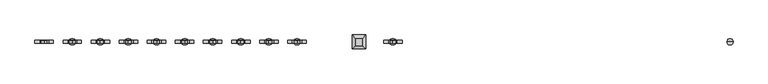
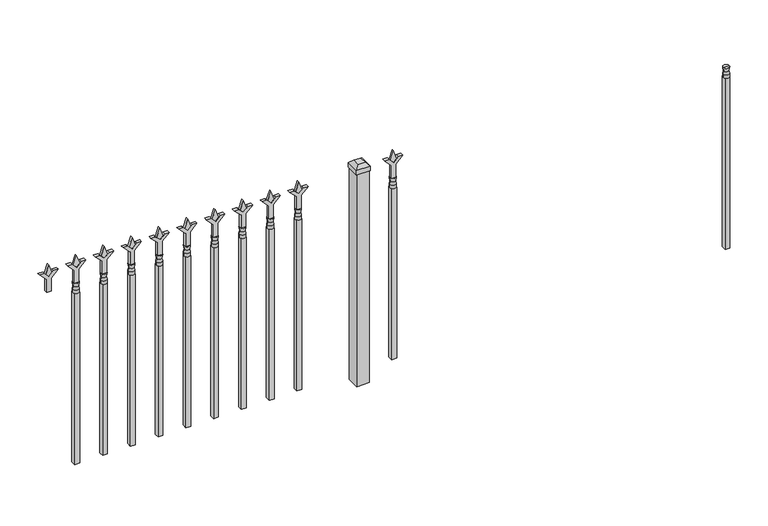
"""IFC4 building model written with IfcOpenShell, lengths in millimetres: railing geometry."""

from ifc_helpers import new_model, si_unit, frame, origin, place, context, project, spatial, polyline, circle_curve, outline, extrude, faceted_brep, source, transform, mapped, element, save
from ifc_brep_helpers import plane_surface, cylinder_surface, revolved_surface, advanced_brep


def railing_d86312d7(model_context):
    return source(origin(), model_context, "Body", "SolidModel", [
        advanced_brep(
        [(-2493.0612634, 7037.6199518, 12966.7), (-2516.8737634, 7037.6199518, 12966.7), (-2516.8737634, 7037.6199518, 12954.0), (-2493.0612634, 7037.6199518, 12954.0), (-2495.2665952, 7037.6199518, 12979.2070585), (-2514.6684315, 7037.6199518, 12979.2070585), (-2493.0612634, 7037.6199518, 12995.275), (-2516.8737634, 7037.6199518, 12995.275), (-2504.9675134, 7037.6199518, 12995.275), (-2504.9675134, 7037.6199518, 12954.0)],
        [
            (0, 1, circle_curve(frame((-2504.9675134, 7037.6199518, 12966.7), z_axis=(0.0, 0.0, -1.0), x_axis=(-1.0, 0.0, 0.0)), 11.90625)),
            (1, 2),
            (2, 3, circle_curve(frame((-2504.9675134, 7037.6199518, 12954.0), z_axis=(0.0, 0.0, 1.0), x_axis=(-1.0, 0.0, 0.0)), 11.90625)),
            (3, 0),
            (1, 0, circle_curve(frame((-2504.9675134, 7037.6199518, 12966.7), z_axis=(0.0, 0.0, -1.0), x_axis=(-1.0, 0.0, 0.0)), 11.90625)),
            (3, 2, circle_curve(frame((-2504.9675134, 7037.6199518, 12954.0), z_axis=(0.0, 0.0, 1.0), x_axis=(-1.0, 0.0, 0.0)), 11.90625)),
            (4, 5, circle_curve(frame((-2504.9675134, 7037.6199518, 12979.2070585), z_axis=(0.0, 0.0, -1.0), x_axis=(-1.0, 0.0, 0.0)), 9.7009181)),
            (5, 1),
            (0, 4),
            (5, 4, circle_curve(frame((-2504.9675134, 7037.6199518, 12979.2070585), z_axis=(0.0, 0.0, -1.0), x_axis=(-1.0, 0.0, 0.0)), 9.7009181)),
            (6, 7, circle_curve(frame((-2504.9675134, 7037.6199518, 12995.275), z_axis=(0.0, 0.0, -1.0), x_axis=(-1.0, 0.0, 0.0)), 11.90625)),
            (7, 5),
            (4, 6),
            (7, 6, circle_curve(frame((-2504.9675134, 7037.6199518, 12995.275), z_axis=(0.0, 0.0, -1.0), x_axis=(-1.0, 0.0, 0.0)), 11.90625)),
            (8, 7),
            (6, 8),
            (2, 9),
            (9, 3),
        ],
        [
            cylinder_surface(frame((-2504.9675134, 7037.6199518, 12954.0), z_axis=(0.0, 0.0, 1.0), x_axis=(-1.0, 0.0, 0.0)), 11.90625),
            revolved_surface(polyline([(-2516.8737634, 7037.6199518, 12966.7), (-2514.6684315, 7037.6199518, 12979.2070585)]), (-2504.9675134, 7037.6199518, 12954.0), (0.0, 0.0, 1.0)),
            revolved_surface(polyline([(-2514.6684315, 7037.6199518, 12979.2070585), (-2516.8737634, 7037.6199518, 12995.275)]), (-2504.9675134, 7037.6199518, 12954.0), (0.0, 0.0, 1.0)),
            plane_surface(frame((-2504.9675134, 7037.6199518, 12995.275), z_axis=(0.0, 0.0, 1.0), x_axis=(-1.0, 0.0, 0.0))),
            plane_surface(frame((-2504.9675134, 7037.6199518, 12954.0), z_axis=(0.0, 0.0, -1.0), x_axis=(-1.0, 0.0, 0.0))),
        ],
        [
            (0, [[1, 2, 3, 4]]),
            (0, [[5, -4, 6, -2]]),
            (1, [[7, 8, -1, 9]]),
            (1, [[10, -9, -5, -8]]),
            (2, [[11, 12, -7, 13]]),
            (2, [[14, -13, -10, -12]]),
            (3, [[15, -11, 16]]),
            (3, [[-16, -14, -15]]),
            (4, [[-3, 17, 18]]),
            (4, [[-6, -18, -17]]),
        ],
    ),
        extrude(outline(polyline([(-2514.4925134, 7047.1449518), (-2495.4425134, 7047.1449518), (-2495.4425134, 7028.0949518), (-2514.4925134, 7028.0949518), (-2514.4925134, 7047.1449518)])), frame((0.0, 0.0, 12242.8), z_axis=(0.0, 0.0, 1.0), x_axis=(1.0, 0.0, 0.0)), (0.0, 0.0, 1.0), 711.2),
        extrude(outline(polyline([(13070.68125, -3804.3362634), (13106.4, -3816.2425134), (13070.68125, -3828.1487634), (13058.775, -3816.2425134), (13070.68125, -3804.3362634)])), frame((0.0, 7032.8574518, 0.0), z_axis=(0.0, 1.0, 0.0), x_axis=(0.0, 0.0, 1.0)), (0.0, 0.0, 1.0), 9.525),
        extrude(outline(polyline([(12995.275, -3807.5112634), (13049.5457378, -3807.5112634), (13076.7355122, -3780.3214889), (13076.7355122, -3798.2820011), (13058.775, -3816.2425134), (13076.7355122, -3834.2030256), (13076.7355122, -3852.1635379), (13049.5457378, -3824.9737634), (12995.275, -3824.9737634), (12995.275, -3807.5112634)])), frame((0.0, 7031.2699518, 0.0), z_axis=(0.0, 1.0, 0.0), x_axis=(0.0, 0.0, 1.0)), (0.0, 0.0, 1.0), 12.7),
        advanced_brep(
        [(-3804.3362634, 7037.6199518, 12966.7), (-3828.1487634, 7037.6199518, 12966.7), (-3828.1487634, 7037.6199518, 12954.0), (-3804.3362634, 7037.6199518, 12954.0), (-3806.5415952, 7037.6199518, 12979.2070585), (-3825.9434315, 7037.6199518, 12979.2070585), (-3804.3362634, 7037.6199518, 12995.275), (-3828.1487634, 7037.6199518, 12995.275), (-3816.2425134, 7037.6199518, 12995.275), (-3816.2425134, 7037.6199518, 12954.0)],
        [
            (0, 1, circle_curve(frame((-3816.2425134, 7037.6199518, 12966.7), z_axis=(0.0, 0.0, -1.0), x_axis=(-1.0, 0.0, 0.0)), 11.90625)),
            (1, 2),
            (2, 3, circle_curve(frame((-3816.2425134, 7037.6199518, 12954.0), z_axis=(0.0, 0.0, 1.0), x_axis=(-1.0, 0.0, 0.0)), 11.90625)),
            (3, 0),
            (1, 0, circle_curve(frame((-3816.2425134, 7037.6199518, 12966.7), z_axis=(0.0, 0.0, -1.0), x_axis=(-1.0, 0.0, 0.0)), 11.90625)),
            (3, 2, circle_curve(frame((-3816.2425134, 7037.6199518, 12954.0), z_axis=(0.0, 0.0, 1.0), x_axis=(-1.0, 0.0, 0.0)), 11.90625)),
            (4, 5, circle_curve(frame((-3816.2425134, 7037.6199518, 12979.2070585), z_axis=(0.0, 0.0, -1.0), x_axis=(-1.0, 0.0, 0.0)), 9.7009181)),
            (5, 1),
            (0, 4),
            (5, 4, circle_curve(frame((-3816.2425134, 7037.6199518, 12979.2070585), z_axis=(0.0, 0.0, -1.0), x_axis=(-1.0, 0.0, 0.0)), 9.7009181)),
            (6, 7, circle_curve(frame((-3816.2425134, 7037.6199518, 12995.275), z_axis=(0.0, 0.0, -1.0), x_axis=(-1.0, 0.0, 0.0)), 11.90625)),
            (7, 5),
            (4, 6),
            (7, 6, circle_curve(frame((-3816.2425134, 7037.6199518, 12995.275), z_axis=(0.0, 0.0, -1.0), x_axis=(-1.0, 0.0, 0.0)), 11.90625)),
            (8, 7),
            (6, 8),
            (2, 9),
            (9, 3),
        ],
        [
            cylinder_surface(frame((-3816.2425134, 7037.6199518, 12954.0), z_axis=(0.0, 0.0, 1.0), x_axis=(-1.0, 0.0, 0.0)), 11.90625),
            revolved_surface(polyline([(-3828.1487634, 7037.6199518, 12966.7), (-3825.9434315, 7037.6199518, 12979.2070585)]), (-3816.2425134, 7037.6199518, 12954.0), (0.0, 0.0, 1.0)),
            revolved_surface(polyline([(-3825.9434315, 7037.6199518, 12979.2070585), (-3828.1487634, 7037.6199518, 12995.275)]), (-3816.2425134, 7037.6199518, 12954.0), (0.0, 0.0, 1.0)),
            plane_surface(frame((-3816.2425134, 7037.6199518, 12995.275), z_axis=(0.0, 0.0, 1.0), x_axis=(-1.0, 0.0, 0.0))),
            plane_surface(frame((-3816.2425134, 7037.6199518, 12954.0), z_axis=(0.0, 0.0, -1.0), x_axis=(-1.0, 0.0, 0.0))),
        ],
        [
            (0, [[1, 2, 3, 4]]),
            (0, [[5, -4, 6, -2]]),
            (1, [[7, 8, -1, 9]]),
            (1, [[10, -9, -5, -8]]),
            (2, [[11, 12, -7, 13]]),
            (2, [[14, -13, -10, -12]]),
            (3, [[15, -11, 16]]),
            (3, [[-16, -14, -15]]),
            (4, [[-3, 17, 18]]),
            (4, [[-6, -18, -17]]),
        ],
    ),
        extrude(outline(polyline([(-3825.7675134, 7047.1449518), (-3806.7175134, 7047.1449518), (-3806.7175134, 7028.0949518), (-3825.7675134, 7028.0949518), (-3825.7675134, 7047.1449518)])), frame((0.0, 0.0, 12242.8), z_axis=(0.0, 0.0, 1.0), x_axis=(1.0, 0.0, 0.0)), (0.0, 0.0, 1.0), 711.2),
        faceted_brep([(-3974.9925134, 7064.6074518, 13093.7), (-3974.9925134, 7064.6074518, 13074.65), (-3974.9925134, 7010.6324518, 13074.65), (-3974.9925134, 7010.6324518, 13093.7), (-3962.2925134, 7051.9074518, 13106.4), (-3962.2925134, 7023.3324518, 13106.4), (-3921.0175134, 7010.6324518, 13074.65), (-3921.0175134, 7010.6324518, 13093.7), (-3933.7175134, 7023.3324518, 13106.4), (-3921.0175134, 7064.6074518, 13074.65), (-3921.0175134, 7064.6074518, 13093.7), (-3933.7175134, 7051.9074518, 13106.4)], [[[0, 1, 2, 3]], [[4, 0, 3, 5]], [[3, 2, 6, 7]], [[5, 3, 7, 8]], [[7, 6, 9, 10]], [[8, 7, 10, 11]], [[10, 9, 1, 0]], [[11, 10, 0, 4]], [[5, 8, 11, 4]], [[1, 9, 6, 2]]]),
        extrude(outline(polyline([(-3922.6050134, 7063.0199518), (-3922.6050134, 7012.2199518), (-3973.4050134, 7012.2199518), (-3973.4050134, 7063.0199518), (-3922.6050134, 7063.0199518)])), frame((0.0, 0.0, 12192.0), z_axis=(0.0, 0.0, 1.0), x_axis=(1.0, 0.0, 0.0)), (0.0, 0.0, 1.0), 882.65),
        extrude(outline(polyline([(13070.68125, -4177.13418), (13106.4, -4189.04043), (13070.68125, -4200.94668), (13058.775, -4189.04043), (13070.68125, -4177.13418)])), frame((0.0, 7032.8574518, 0.0), z_axis=(0.0, 1.0, 0.0), x_axis=(0.0, 0.0, 1.0)), (0.0, 0.0, 1.0), 9.525),
        extrude(outline(polyline([(12995.275, -4180.30918), (13049.5457378, -4180.30918), (13076.7355122, -4153.1194056), (13076.7355122, -4171.0799178), (13058.775, -4189.04043), (13076.7355122, -4207.0009423), (13076.7355122, -4224.9614545), (13049.5457378, -4197.77168), (12995.275, -4197.77168), (12995.275, -4180.30918)])), frame((0.0, 7031.2699518, 0.0), z_axis=(0.0, 1.0, 0.0), x_axis=(0.0, 0.0, 1.0)), (0.0, 0.0, 1.0), 12.7),
        advanced_brep(
        [(-4177.13418, 7037.6199518, 12966.7), (-4200.94668, 7037.6199518, 12966.7), (-4200.94668, 7037.6199518, 12954.0), (-4177.13418, 7037.6199518, 12954.0), (-4179.3395119, 7037.6199518, 12979.2070585), (-4198.7413482, 7037.6199518, 12979.2070585), (-4177.13418, 7037.6199518, 12995.275), (-4200.94668, 7037.6199518, 12995.275), (-4189.04043, 7037.6199518, 12995.275), (-4189.04043, 7037.6199518, 12954.0)],
        [
            (0, 1, circle_curve(frame((-4189.04043, 7037.6199518, 12966.7), z_axis=(0.0, 0.0, -1.0), x_axis=(-1.0, 0.0, 0.0)), 11.90625)),
            (1, 2),
            (2, 3, circle_curve(frame((-4189.04043, 7037.6199518, 12954.0), z_axis=(0.0, 0.0, 1.0), x_axis=(-1.0, 0.0, 0.0)), 11.90625)),
            (3, 0),
            (1, 0, circle_curve(frame((-4189.04043, 7037.6199518, 12966.7), z_axis=(0.0, 0.0, -1.0), x_axis=(-1.0, 0.0, 0.0)), 11.90625)),
            (3, 2, circle_curve(frame((-4189.04043, 7037.6199518, 12954.0), z_axis=(0.0, 0.0, 1.0), x_axis=(-1.0, 0.0, 0.0)), 11.90625)),
            (4, 5, circle_curve(frame((-4189.04043, 7037.6199518, 12979.2070585), z_axis=(0.0, 0.0, -1.0), x_axis=(-1.0, 0.0, 0.0)), 9.7009181)),
            (5, 1),
            (0, 4),
            (5, 4, circle_curve(frame((-4189.04043, 7037.6199518, 12979.2070585), z_axis=(0.0, 0.0, -1.0), x_axis=(-1.0, 0.0, 0.0)), 9.7009181)),
            (6, 7, circle_curve(frame((-4189.04043, 7037.6199518, 12995.275), z_axis=(0.0, 0.0, -1.0), x_axis=(-1.0, 0.0, 0.0)), 11.90625)),
            (7, 5),
            (4, 6),
            (7, 6, circle_curve(frame((-4189.04043, 7037.6199518, 12995.275), z_axis=(0.0, 0.0, -1.0), x_axis=(-1.0, 0.0, 0.0)), 11.90625)),
            (8, 7),
            (6, 8),
            (2, 9),
            (9, 3),
        ],
        [
            cylinder_surface(frame((-4189.04043, 7037.6199518, 12954.0), z_axis=(0.0, 0.0, 1.0), x_axis=(-1.0, 0.0, 0.0)), 11.90625),
            revolved_surface(polyline([(-4200.94668, 7037.6199518, 12966.7), (-4198.7413482, 7037.6199518, 12979.2070585)]), (-4189.04043, 7037.6199518, 12954.0), (0.0, 0.0, 1.0)),
            revolved_surface(polyline([(-4198.7413482, 7037.6199518, 12979.2070585), (-4200.94668, 7037.6199518, 12995.275)]), (-4189.04043, 7037.6199518, 12954.0), (0.0, 0.0, 1.0)),
            plane_surface(frame((-4189.04043, 7037.6199518, 12995.275), z_axis=(0.0, 0.0, 1.0), x_axis=(-1.0, 0.0, 0.0))),
            plane_surface(frame((-4189.04043, 7037.6199518, 12954.0), z_axis=(0.0, 0.0, -1.0), x_axis=(-1.0, 0.0, 0.0))),
        ],
        [
            (0, [[1, 2, 3, 4]]),
            (0, [[5, -4, 6, -2]]),
            (1, [[7, 8, -1, 9]]),
            (1, [[10, -9, -5, -8]]),
            (2, [[11, 12, -7, 13]]),
            (2, [[14, -13, -10, -12]]),
            (3, [[15, -11, 16]]),
            (3, [[-16, -14, -15]]),
            (4, [[-3, 17, 18]]),
            (4, [[-6, -18, -17]]),
        ],
    ),
        extrude(outline(polyline([(-4198.56543, 7047.1449518), (-4179.51543, 7047.1449518), (-4179.51543, 7028.0949518), (-4198.56543, 7028.0949518), (-4198.56543, 7047.1449518)])), frame((0.0, 0.0, 12242.8), z_axis=(0.0, 0.0, 1.0), x_axis=(1.0, 0.0, 0.0)), (0.0, 0.0, 1.0), 711.2),
        extrude(outline(polyline([(13070.68125, -4286.4070967), (13106.4, -4298.3133467), (13070.68125, -4310.2195967), (13058.775, -4298.3133467), (13070.68125, -4286.4070967)])), frame((0.0, 7032.8574518, 0.0), z_axis=(0.0, 1.0, 0.0), x_axis=(0.0, 0.0, 1.0)), (0.0, 0.0, 1.0), 9.525),
        extrude(outline(polyline([(12995.275, -4289.5820967), (13049.5457378, -4289.5820967), (13076.7355122, -4262.3923222), (13076.7355122, -4280.3528345), (13058.775, -4298.3133467), (13076.7355122, -4316.273859), (13076.7355122, -4334.2343712), (13049.5457378, -4307.0445967), (12995.275, -4307.0445967), (12995.275, -4289.5820967)])), frame((0.0, 7031.2699518, 0.0), z_axis=(0.0, 1.0, 0.0), x_axis=(0.0, 0.0, 1.0)), (0.0, 0.0, 1.0), 12.7),
        advanced_brep(
        [(-4286.4070967, 7037.6199518, 12966.7), (-4310.2195967, 7037.6199518, 12966.7), (-4310.2195967, 7037.6199518, 12954.0), (-4286.4070967, 7037.6199518, 12954.0), (-4288.6124286, 7037.6199518, 12979.2070585), (-4308.0142649, 7037.6199518, 12979.2070585), (-4286.4070967, 7037.6199518, 12995.275), (-4310.2195967, 7037.6199518, 12995.275), (-4298.3133467, 7037.6199518, 12995.275), (-4298.3133467, 7037.6199518, 12954.0)],
        [
            (0, 1, circle_curve(frame((-4298.3133467, 7037.6199518, 12966.7), z_axis=(0.0, 0.0, -1.0), x_axis=(-1.0, 0.0, 0.0)), 11.90625)),
            (1, 2),
            (2, 3, circle_curve(frame((-4298.3133467, 7037.6199518, 12954.0), z_axis=(0.0, 0.0, 1.0), x_axis=(-1.0, 0.0, 0.0)), 11.90625)),
            (3, 0),
            (1, 0, circle_curve(frame((-4298.3133467, 7037.6199518, 12966.7), z_axis=(0.0, 0.0, -1.0), x_axis=(-1.0, 0.0, 0.0)), 11.90625)),
            (3, 2, circle_curve(frame((-4298.3133467, 7037.6199518, 12954.0), z_axis=(0.0, 0.0, 1.0), x_axis=(-1.0, 0.0, 0.0)), 11.90625)),
            (4, 5, circle_curve(frame((-4298.3133467, 7037.6199518, 12979.2070585), z_axis=(0.0, 0.0, -1.0), x_axis=(-1.0, 0.0, 0.0)), 9.7009181)),
            (5, 1),
            (0, 4),
            (5, 4, circle_curve(frame((-4298.3133467, 7037.6199518, 12979.2070585), z_axis=(0.0, 0.0, -1.0), x_axis=(-1.0, 0.0, 0.0)), 9.7009181)),
            (6, 7, circle_curve(frame((-4298.3133467, 7037.6199518, 12995.275), z_axis=(0.0, 0.0, -1.0), x_axis=(-1.0, 0.0, 0.0)), 11.90625)),
            (7, 5),
            (4, 6),
            (7, 6, circle_curve(frame((-4298.3133467, 7037.6199518, 12995.275), z_axis=(0.0, 0.0, -1.0), x_axis=(-1.0, 0.0, 0.0)), 11.90625)),
            (8, 7),
            (6, 8),
            (2, 9),
            (9, 3),
        ],
        [
            cylinder_surface(frame((-4298.3133467, 7037.6199518, 12954.0), z_axis=(0.0, 0.0, 1.0), x_axis=(-1.0, 0.0, 0.0)), 11.90625),
            revolved_surface(polyline([(-4310.2195967, 7037.6199518, 12966.7), (-4308.0142649, 7037.6199518, 12979.2070585)]), (-4298.3133467, 7037.6199518, 12954.0), (0.0, 0.0, 1.0)),
            revolved_surface(polyline([(-4308.0142649, 7037.6199518, 12979.2070585), (-4310.2195967, 7037.6199518, 12995.275)]), (-4298.3133467, 7037.6199518, 12954.0), (0.0, 0.0, 1.0)),
            plane_surface(frame((-4298.3133467, 7037.6199518, 12995.275), z_axis=(0.0, 0.0, 1.0), x_axis=(-1.0, 0.0, 0.0))),
            plane_surface(frame((-4298.3133467, 7037.6199518, 12954.0), z_axis=(0.0, 0.0, -1.0), x_axis=(-1.0, 0.0, 0.0))),
        ],
        [
            (0, [[1, 2, 3, 4]]),
            (0, [[5, -4, 6, -2]]),
            (1, [[7, 8, -1, 9]]),
            (1, [[10, -9, -5, -8]]),
            (2, [[11, 12, -7, 13]]),
            (2, [[14, -13, -10, -12]]),
            (3, [[15, -11, 16]]),
            (3, [[-16, -14, -15]]),
            (4, [[-3, 17, 18]]),
            (4, [[-6, -18, -17]]),
        ],
    ),
        extrude(outline(polyline([(-4307.8383467, 7047.1449518), (-4288.7883467, 7047.1449518), (-4288.7883467, 7028.0949518), (-4307.8383467, 7028.0949518), (-4307.8383467, 7047.1449518)])), frame((0.0, 0.0, 12242.8), z_axis=(0.0, 0.0, 1.0), x_axis=(1.0, 0.0, 0.0)), (0.0, 0.0, 1.0), 711.2),
        extrude(outline(polyline([(13070.68125, -4395.6800134), (13106.4, -4407.5862634), (13070.68125, -4419.4925134), (13058.775, -4407.5862634), (13070.68125, -4395.6800134)])), frame((0.0, 7032.8574518, 0.0), z_axis=(0.0, 1.0, 0.0), x_axis=(0.0, 0.0, 1.0)), (0.0, 0.0, 1.0), 9.525),
        extrude(outline(polyline([(12995.275, -4398.8550134), (13049.5457378, -4398.8550134), (13076.7355122, -4371.6652389), (13076.7355122, -4389.6257511), (13058.775, -4407.5862634), (13076.7355122, -4425.5467756), (13076.7355122, -4443.5072879), (13049.5457378, -4416.3175134), (12995.275, -4416.3175134), (12995.275, -4398.8550134)])), frame((0.0, 7031.2699518, 0.0), z_axis=(0.0, 1.0, 0.0), x_axis=(0.0, 0.0, 1.0)), (0.0, 0.0, 1.0), 12.7),
        advanced_brep(
        [(-4395.6800134, 7037.6199518, 12966.7), (-4419.4925134, 7037.6199518, 12966.7), (-4419.4925134, 7037.6199518, 12954.0), (-4395.6800134, 7037.6199518, 12954.0), (-4397.8853452, 7037.6199518, 12979.2070585), (-4417.2871815, 7037.6199518, 12979.2070585), (-4395.6800134, 7037.6199518, 12995.275), (-4419.4925134, 7037.6199518, 12995.275), (-4407.5862634, 7037.6199518, 12995.275), (-4407.5862634, 7037.6199518, 12954.0)],
        [
            (0, 1, circle_curve(frame((-4407.5862634, 7037.6199518, 12966.7), z_axis=(0.0, 0.0, -1.0), x_axis=(-1.0, 0.0, 0.0)), 11.90625)),
            (1, 2),
            (2, 3, circle_curve(frame((-4407.5862634, 7037.6199518, 12954.0), z_axis=(0.0, 0.0, 1.0), x_axis=(-1.0, 0.0, 0.0)), 11.90625)),
            (3, 0),
            (1, 0, circle_curve(frame((-4407.5862634, 7037.6199518, 12966.7), z_axis=(0.0, 0.0, -1.0), x_axis=(-1.0, 0.0, 0.0)), 11.90625)),
            (3, 2, circle_curve(frame((-4407.5862634, 7037.6199518, 12954.0), z_axis=(0.0, 0.0, 1.0), x_axis=(-1.0, 0.0, 0.0)), 11.90625)),
            (4, 5, circle_curve(frame((-4407.5862634, 7037.6199518, 12979.2070585), z_axis=(0.0, 0.0, -1.0), x_axis=(-1.0, 0.0, 0.0)), 9.7009181)),
            (5, 1),
            (0, 4),
            (5, 4, circle_curve(frame((-4407.5862634, 7037.6199518, 12979.2070585), z_axis=(0.0, 0.0, -1.0), x_axis=(-1.0, 0.0, 0.0)), 9.7009181)),
            (6, 7, circle_curve(frame((-4407.5862634, 7037.6199518, 12995.275), z_axis=(0.0, 0.0, -1.0), x_axis=(-1.0, 0.0, 0.0)), 11.90625)),
            (7, 5),
            (4, 6),
            (7, 6, circle_curve(frame((-4407.5862634, 7037.6199518, 12995.275), z_axis=(0.0, 0.0, -1.0), x_axis=(-1.0, 0.0, 0.0)), 11.90625)),
            (8, 7),
            (6, 8),
            (2, 9),
            (9, 3),
        ],
        [
            cylinder_surface(frame((-4407.5862634, 7037.6199518, 12954.0), z_axis=(0.0, 0.0, 1.0), x_axis=(-1.0, 0.0, 0.0)), 11.90625),
            revolved_surface(polyline([(-4419.4925134, 7037.6199518, 12966.7), (-4417.2871815, 7037.6199518, 12979.2070585)]), (-4407.5862634, 7037.6199518, 12954.0), (0.0, 0.0, 1.0)),
            revolved_surface(polyline([(-4417.2871815, 7037.6199518, 12979.2070585), (-4419.4925134, 7037.6199518, 12995.275)]), (-4407.5862634, 7037.6199518, 12954.0), (0.0, 0.0, 1.0)),
            plane_surface(frame((-4407.5862634, 7037.6199518, 12995.275), z_axis=(0.0, 0.0, 1.0), x_axis=(-1.0, 0.0, 0.0))),
            plane_surface(frame((-4407.5862634, 7037.6199518, 12954.0), z_axis=(0.0, 0.0, -1.0), x_axis=(-1.0, 0.0, 0.0))),
        ],
        [
            (0, [[1, 2, 3, 4]]),
            (0, [[5, -4, 6, -2]]),
            (1, [[7, 8, -1, 9]]),
            (1, [[10, -9, -5, -8]]),
            (2, [[11, 12, -7, 13]]),
            (2, [[14, -13, -10, -12]]),
            (3, [[15, -11, 16]]),
            (3, [[-16, -14, -15]]),
            (4, [[-3, 17, 18]]),
            (4, [[-6, -18, -17]]),
        ],
    ),
        extrude(outline(polyline([(-4417.1112634, 7047.1449518), (-4398.0612634, 7047.1449518), (-4398.0612634, 7028.0949518), (-4417.1112634, 7028.0949518), (-4417.1112634, 7047.1449518)])), frame((0.0, 0.0, 12242.8), z_axis=(0.0, 0.0, 1.0), x_axis=(1.0, 0.0, 0.0)), (0.0, 0.0, 1.0), 711.2),
        extrude(outline(polyline([(13070.68125, -4504.95293), (13106.4, -4516.85918), (13070.68125, -4528.76543), (13058.775, -4516.85918), (13070.68125, -4504.95293)])), frame((0.0, 7032.8574518, 0.0), z_axis=(0.0, 1.0, 0.0), x_axis=(0.0, 0.0, 1.0)), (0.0, 0.0, 1.0), 9.525),
        extrude(outline(polyline([(12995.275, -4508.12793), (13049.5457378, -4508.12793), (13076.7355122, -4480.9381556), (13076.7355122, -4498.8986678), (13058.775, -4516.85918), (13076.7355122, -4534.8196923), (13076.7355122, -4552.7802045), (13049.5457378, -4525.59043), (12995.275, -4525.59043), (12995.275, -4508.12793)])), frame((0.0, 7031.2699518, 0.0), z_axis=(0.0, 1.0, 0.0), x_axis=(0.0, 0.0, 1.0)), (0.0, 0.0, 1.0), 12.7),
        advanced_brep(
        [(-4504.95293, 7037.6199518, 12966.7), (-4528.76543, 7037.6199518, 12966.7), (-4528.76543, 7037.6199518, 12954.0), (-4504.95293, 7037.6199518, 12954.0), (-4507.1582619, 7037.6199518, 12979.2070585), (-4526.5600982, 7037.6199518, 12979.2070585), (-4504.95293, 7037.6199518, 12995.275), (-4528.76543, 7037.6199518, 12995.275), (-4516.85918, 7037.6199518, 12995.275), (-4516.85918, 7037.6199518, 12954.0)],
        [
            (0, 1, circle_curve(frame((-4516.85918, 7037.6199518, 12966.7), z_axis=(0.0, 0.0, -1.0), x_axis=(-1.0, 0.0, 0.0)), 11.90625)),
            (1, 2),
            (2, 3, circle_curve(frame((-4516.85918, 7037.6199518, 12954.0), z_axis=(0.0, 0.0, 1.0), x_axis=(-1.0, 0.0, 0.0)), 11.90625)),
            (3, 0),
            (1, 0, circle_curve(frame((-4516.85918, 7037.6199518, 12966.7), z_axis=(0.0, 0.0, -1.0), x_axis=(-1.0, 0.0, 0.0)), 11.90625)),
            (3, 2, circle_curve(frame((-4516.85918, 7037.6199518, 12954.0), z_axis=(0.0, 0.0, 1.0), x_axis=(-1.0, 0.0, 0.0)), 11.90625)),
            (4, 5, circle_curve(frame((-4516.85918, 7037.6199518, 12979.2070585), z_axis=(0.0, 0.0, -1.0), x_axis=(-1.0, 0.0, 0.0)), 9.7009181)),
            (5, 1),
            (0, 4),
            (5, 4, circle_curve(frame((-4516.85918, 7037.6199518, 12979.2070585), z_axis=(0.0, 0.0, -1.0), x_axis=(-1.0, 0.0, 0.0)), 9.7009181)),
            (6, 7, circle_curve(frame((-4516.85918, 7037.6199518, 12995.275), z_axis=(0.0, 0.0, -1.0), x_axis=(-1.0, 0.0, 0.0)), 11.90625)),
            (7, 5),
            (4, 6),
            (7, 6, circle_curve(frame((-4516.85918, 7037.6199518, 12995.275), z_axis=(0.0, 0.0, -1.0), x_axis=(-1.0, 0.0, 0.0)), 11.90625)),
            (8, 7),
            (6, 8),
            (2, 9),
            (9, 3),
        ],
        [
            cylinder_surface(frame((-4516.85918, 7037.6199518, 12954.0), z_axis=(0.0, 0.0, 1.0), x_axis=(-1.0, 0.0, 0.0)), 11.90625),
            revolved_surface(polyline([(-4528.76543, 7037.6199518, 12966.7), (-4526.5600982, 7037.6199518, 12979.2070585)]), (-4516.85918, 7037.6199518, 12954.0), (0.0, 0.0, 1.0)),
            revolved_surface(polyline([(-4526.5600982, 7037.6199518, 12979.2070585), (-4528.76543, 7037.6199518, 12995.275)]), (-4516.85918, 7037.6199518, 12954.0), (0.0, 0.0, 1.0)),
            plane_surface(frame((-4516.85918, 7037.6199518, 12995.275), z_axis=(0.0, 0.0, 1.0), x_axis=(-1.0, 0.0, 0.0))),
            plane_surface(frame((-4516.85918, 7037.6199518, 12954.0), z_axis=(0.0, 0.0, -1.0), x_axis=(-1.0, 0.0, 0.0))),
        ],
        [
            (0, [[1, 2, 3, 4]]),
            (0, [[5, -4, 6, -2]]),
            (1, [[7, 8, -1, 9]]),
            (1, [[10, -9, -5, -8]]),
            (2, [[11, 12, -7, 13]]),
            (2, [[14, -13, -10, -12]]),
            (3, [[15, -11, 16]]),
            (3, [[-16, -14, -15]]),
            (4, [[-3, 17, 18]]),
            (4, [[-6, -18, -17]]),
        ],
    ),
        extrude(outline(polyline([(-4526.38418, 7047.1449518), (-4507.33418, 7047.1449518), (-4507.33418, 7028.0949518), (-4526.38418, 7028.0949518), (-4526.38418, 7047.1449518)])), frame((0.0, 0.0, 12242.8), z_axis=(0.0, 0.0, 1.0), x_axis=(1.0, 0.0, 0.0)), (0.0, 0.0, 1.0), 711.2),
        extrude(outline(polyline([(13070.68125, -4614.2258467), (13106.4, -4626.1320967), (13070.68125, -4638.0383467), (13058.775, -4626.1320967), (13070.68125, -4614.2258467)])), frame((0.0, 7032.8574518, 0.0), z_axis=(0.0, 1.0, 0.0), x_axis=(0.0, 0.0, 1.0)), (0.0, 0.0, 1.0), 9.525),
        extrude(outline(polyline([(12995.275, -4617.4008467), (13049.5457378, -4617.4008467), (13076.7355122, -4590.2110722), (13076.7355122, -4608.1715845), (13058.775, -4626.1320967), (13076.7355122, -4644.092609), (13076.7355122, -4662.0531212), (13049.5457378, -4634.8633467), (12995.275, -4634.8633467), (12995.275, -4617.4008467)])), frame((0.0, 7031.2699518, 0.0), z_axis=(0.0, 1.0, 0.0), x_axis=(0.0, 0.0, 1.0)), (0.0, 0.0, 1.0), 12.7),
        advanced_brep(
        [(-4614.2258467, 7037.6199518, 12966.7), (-4638.0383467, 7037.6199518, 12966.7), (-4638.0383467, 7037.6199518, 12954.0), (-4614.2258467, 7037.6199518, 12954.0), (-4616.4311786, 7037.6199518, 12979.2070585), (-4635.8330149, 7037.6199518, 12979.2070585), (-4614.2258467, 7037.6199518, 12995.275), (-4638.0383467, 7037.6199518, 12995.275), (-4626.1320967, 7037.6199518, 12995.275), (-4626.1320967, 7037.6199518, 12954.0)],
        [
            (0, 1, circle_curve(frame((-4626.1320967, 7037.6199518, 12966.7), z_axis=(0.0, 0.0, -1.0), x_axis=(-1.0, 0.0, 0.0)), 11.90625)),
            (1, 2),
            (2, 3, circle_curve(frame((-4626.1320967, 7037.6199518, 12954.0), z_axis=(0.0, 0.0, 1.0), x_axis=(-1.0, 0.0, 0.0)), 11.90625)),
            (3, 0),
            (1, 0, circle_curve(frame((-4626.1320967, 7037.6199518, 12966.7), z_axis=(0.0, 0.0, -1.0), x_axis=(-1.0, 0.0, 0.0)), 11.90625)),
            (3, 2, circle_curve(frame((-4626.1320967, 7037.6199518, 12954.0), z_axis=(0.0, 0.0, 1.0), x_axis=(-1.0, 0.0, 0.0)), 11.90625)),
            (4, 5, circle_curve(frame((-4626.1320967, 7037.6199518, 12979.2070585), z_axis=(0.0, 0.0, -1.0), x_axis=(-1.0, 0.0, 0.0)), 9.7009181)),
            (5, 1),
            (0, 4),
            (5, 4, circle_curve(frame((-4626.1320967, 7037.6199518, 12979.2070585), z_axis=(0.0, 0.0, -1.0), x_axis=(-1.0, 0.0, 0.0)), 9.7009181)),
            (6, 7, circle_curve(frame((-4626.1320967, 7037.6199518, 12995.275), z_axis=(0.0, 0.0, -1.0), x_axis=(-1.0, 0.0, 0.0)), 11.90625)),
            (7, 5),
            (4, 6),
            (7, 6, circle_curve(frame((-4626.1320967, 7037.6199518, 12995.275), z_axis=(0.0, 0.0, -1.0), x_axis=(-1.0, 0.0, 0.0)), 11.90625)),
            (8, 7),
            (6, 8),
            (2, 9),
            (9, 3),
        ],
        [
            cylinder_surface(frame((-4626.1320967, 7037.6199518, 12954.0), z_axis=(0.0, 0.0, 1.0), x_axis=(-1.0, 0.0, 0.0)), 11.90625),
            revolved_surface(polyline([(-4638.0383467, 7037.6199518, 12966.7), (-4635.8330149, 7037.6199518, 12979.2070585)]), (-4626.1320967, 7037.6199518, 12954.0), (0.0, 0.0, 1.0)),
            revolved_surface(polyline([(-4635.8330149, 7037.6199518, 12979.2070585), (-4638.0383467, 7037.6199518, 12995.275)]), (-4626.1320967, 7037.6199518, 12954.0), (0.0, 0.0, 1.0)),
            plane_surface(frame((-4626.1320967, 7037.6199518, 12995.275), z_axis=(0.0, 0.0, 1.0), x_axis=(-1.0, 0.0, 0.0))),
            plane_surface(frame((-4626.1320967, 7037.6199518, 12954.0), z_axis=(0.0, 0.0, -1.0), x_axis=(-1.0, 0.0, 0.0))),
        ],
        [
            (0, [[1, 2, 3, 4]]),
            (0, [[5, -4, 6, -2]]),
            (1, [[7, 8, -1, 9]]),
            (1, [[10, -9, -5, -8]]),
            (2, [[11, 12, -7, 13]]),
            (2, [[14, -13, -10, -12]]),
            (3, [[15, -11, 16]]),
            (3, [[-16, -14, -15]]),
            (4, [[-3, 17, 18]]),
            (4, [[-6, -18, -17]]),
        ],
    ),
        extrude(outline(polyline([(-4635.6570967, 7047.1449518), (-4616.6070967, 7047.1449518), (-4616.6070967, 7028.0949518), (-4635.6570967, 7028.0949518), (-4635.6570967, 7047.1449518)])), frame((0.0, 0.0, 12242.8), z_axis=(0.0, 0.0, 1.0), x_axis=(1.0, 0.0, 0.0)), (0.0, 0.0, 1.0), 711.2),
        extrude(outline(polyline([(13070.68125, -4723.4987634), (13106.4, -4735.4050134), (13070.68125, -4747.3112634), (13058.775, -4735.4050134), (13070.68125, -4723.4987634)])), frame((0.0, 7032.8574518, 0.0), z_axis=(0.0, 1.0, 0.0), x_axis=(0.0, 0.0, 1.0)), (0.0, 0.0, 1.0), 9.525),
        extrude(outline(polyline([(12995.275, -4726.6737634), (13049.5457378, -4726.6737634), (13076.7355122, -4699.4839889), (13076.7355122, -4717.4445011), (13058.775, -4735.4050134), (13076.7355122, -4753.3655256), (13076.7355122, -4771.3260379), (13049.5457378, -4744.1362634), (12995.275, -4744.1362634), (12995.275, -4726.6737634)])), frame((0.0, 7031.2699518, 0.0), z_axis=(0.0, 1.0, 0.0), x_axis=(0.0, 0.0, 1.0)), (0.0, 0.0, 1.0), 12.7),
        advanced_brep(
        [(-4723.4987634, 7037.6199518, 12966.7), (-4747.3112634, 7037.6199518, 12966.7), (-4747.3112634, 7037.6199518, 12954.0), (-4723.4987634, 7037.6199518, 12954.0), (-4725.7040952, 7037.6199518, 12979.2070585), (-4745.1059315, 7037.6199518, 12979.2070585), (-4723.4987634, 7037.6199518, 12995.275), (-4747.3112634, 7037.6199518, 12995.275), (-4735.4050134, 7037.6199518, 12995.275), (-4735.4050134, 7037.6199518, 12954.0)],
        [
            (0, 1, circle_curve(frame((-4735.4050134, 7037.6199518, 12966.7), z_axis=(0.0, 0.0, -1.0), x_axis=(-1.0, 0.0, 0.0)), 11.90625)),
            (1, 2),
            (2, 3, circle_curve(frame((-4735.4050134, 7037.6199518, 12954.0), z_axis=(0.0, 0.0, 1.0), x_axis=(-1.0, 0.0, 0.0)), 11.90625)),
            (3, 0),
            (1, 0, circle_curve(frame((-4735.4050134, 7037.6199518, 12966.7), z_axis=(0.0, 0.0, -1.0), x_axis=(-1.0, 0.0, 0.0)), 11.90625)),
            (3, 2, circle_curve(frame((-4735.4050134, 7037.6199518, 12954.0), z_axis=(0.0, 0.0, 1.0), x_axis=(-1.0, 0.0, 0.0)), 11.90625)),
            (4, 5, circle_curve(frame((-4735.4050134, 7037.6199518, 12979.2070585), z_axis=(0.0, 0.0, -1.0), x_axis=(-1.0, 0.0, 0.0)), 9.7009181)),
            (5, 1),
            (0, 4),
            (5, 4, circle_curve(frame((-4735.4050134, 7037.6199518, 12979.2070585), z_axis=(0.0, 0.0, -1.0), x_axis=(-1.0, 0.0, 0.0)), 9.7009181)),
            (6, 7, circle_curve(frame((-4735.4050134, 7037.6199518, 12995.275), z_axis=(0.0, 0.0, -1.0), x_axis=(-1.0, 0.0, 0.0)), 11.90625)),
            (7, 5),
            (4, 6),
            (7, 6, circle_curve(frame((-4735.4050134, 7037.6199518, 12995.275), z_axis=(0.0, 0.0, -1.0), x_axis=(-1.0, 0.0, 0.0)), 11.90625)),
            (8, 7),
            (6, 8),
            (2, 9),
            (9, 3),
        ],
        [
            cylinder_surface(frame((-4735.4050134, 7037.6199518, 12954.0), z_axis=(0.0, 0.0, 1.0), x_axis=(-1.0, 0.0, 0.0)), 11.90625),
            revolved_surface(polyline([(-4747.3112634, 7037.6199518, 12966.7), (-4745.1059315, 7037.6199518, 12979.2070585)]), (-4735.4050134, 7037.6199518, 12954.0), (0.0, 0.0, 1.0)),
            revolved_surface(polyline([(-4745.1059315, 7037.6199518, 12979.2070585), (-4747.3112634, 7037.6199518, 12995.275)]), (-4735.4050134, 7037.6199518, 12954.0), (0.0, 0.0, 1.0)),
            plane_surface(frame((-4735.4050134, 7037.6199518, 12995.275), z_axis=(0.0, 0.0, 1.0), x_axis=(-1.0, 0.0, 0.0))),
            plane_surface(frame((-4735.4050134, 7037.6199518, 12954.0), z_axis=(0.0, 0.0, -1.0), x_axis=(-1.0, 0.0, 0.0))),
        ],
        [
            (0, [[1, 2, 3, 4]]),
            (0, [[5, -4, 6, -2]]),
            (1, [[7, 8, -1, 9]]),
            (1, [[10, -9, -5, -8]]),
            (2, [[11, 12, -7, 13]]),
            (2, [[14, -13, -10, -12]]),
            (3, [[15, -11, 16]]),
            (3, [[-16, -14, -15]]),
            (4, [[-3, 17, 18]]),
            (4, [[-6, -18, -17]]),
        ],
    ),
        extrude(outline(polyline([(-4744.9300134, 7047.1449518), (-4725.8800134, 7047.1449518), (-4725.8800134, 7028.0949518), (-4744.9300134, 7028.0949518), (-4744.9300134, 7047.1449518)])), frame((0.0, 0.0, 12242.8), z_axis=(0.0, 0.0, 1.0), x_axis=(1.0, 0.0, 0.0)), (0.0, 0.0, 1.0), 711.2),
        extrude(outline(polyline([(13070.68125, -4832.77168), (13106.4, -4844.67793), (13070.68125, -4856.58418), (13058.775, -4844.67793), (13070.68125, -4832.77168)])), frame((0.0, 7032.8574518, 0.0), z_axis=(0.0, 1.0, 0.0), x_axis=(0.0, 0.0, 1.0)), (0.0, 0.0, 1.0), 9.525),
        extrude(outline(polyline([(12995.275, -4835.94668), (13049.5457378, -4835.94668), (13076.7355122, -4808.7569056), (13076.7355122, -4826.7174178), (13058.775, -4844.67793), (13076.7355122, -4862.6384423), (13076.7355122, -4880.5989545), (13049.5457378, -4853.40918), (12995.275, -4853.40918), (12995.275, -4835.94668)])), frame((0.0, 7031.2699518, 0.0), z_axis=(0.0, 1.0, 0.0), x_axis=(0.0, 0.0, 1.0)), (0.0, 0.0, 1.0), 12.7),
        advanced_brep(
        [(-4832.77168, 7037.6199518, 12966.7), (-4856.58418, 7037.6199518, 12966.7), (-4856.58418, 7037.6199518, 12954.0), (-4832.77168, 7037.6199518, 12954.0), (-4834.9770119, 7037.6199518, 12979.2070585), (-4854.3788482, 7037.6199518, 12979.2070585), (-4832.77168, 7037.6199518, 12995.275), (-4856.58418, 7037.6199518, 12995.275), (-4844.67793, 7037.6199518, 12995.275), (-4844.67793, 7037.6199518, 12954.0)],
        [
            (0, 1, circle_curve(frame((-4844.67793, 7037.6199518, 12966.7), z_axis=(0.0, 0.0, -1.0), x_axis=(-1.0, 0.0, 0.0)), 11.90625)),
            (1, 2),
            (2, 3, circle_curve(frame((-4844.67793, 7037.6199518, 12954.0), z_axis=(0.0, 0.0, 1.0), x_axis=(-1.0, 0.0, 0.0)), 11.90625)),
            (3, 0),
            (1, 0, circle_curve(frame((-4844.67793, 7037.6199518, 12966.7), z_axis=(0.0, 0.0, -1.0), x_axis=(-1.0, 0.0, 0.0)), 11.90625)),
            (3, 2, circle_curve(frame((-4844.67793, 7037.6199518, 12954.0), z_axis=(0.0, 0.0, 1.0), x_axis=(-1.0, 0.0, 0.0)), 11.90625)),
            (4, 5, circle_curve(frame((-4844.67793, 7037.6199518, 12979.2070585), z_axis=(0.0, 0.0, -1.0), x_axis=(-1.0, 0.0, 0.0)), 9.7009181)),
            (5, 1),
            (0, 4),
            (5, 4, circle_curve(frame((-4844.67793, 7037.6199518, 12979.2070585), z_axis=(0.0, 0.0, -1.0), x_axis=(-1.0, 0.0, 0.0)), 9.7009181)),
            (6, 7, circle_curve(frame((-4844.67793, 7037.6199518, 12995.275), z_axis=(0.0, 0.0, -1.0), x_axis=(-1.0, 0.0, 0.0)), 11.90625)),
            (7, 5),
            (4, 6),
            (7, 6, circle_curve(frame((-4844.67793, 7037.6199518, 12995.275), z_axis=(0.0, 0.0, -1.0), x_axis=(-1.0, 0.0, 0.0)), 11.90625)),
            (8, 7),
            (6, 8),
            (2, 9),
            (9, 3),
        ],
        [
            cylinder_surface(frame((-4844.67793, 7037.6199518, 12954.0), z_axis=(0.0, 0.0, 1.0), x_axis=(-1.0, 0.0, 0.0)), 11.90625),
            revolved_surface(polyline([(-4856.58418, 7037.6199518, 12966.7), (-4854.3788482, 7037.6199518, 12979.2070585)]), (-4844.67793, 7037.6199518, 12954.0), (0.0, 0.0, 1.0)),
            revolved_surface(polyline([(-4854.3788482, 7037.6199518, 12979.2070585), (-4856.58418, 7037.6199518, 12995.275)]), (-4844.67793, 7037.6199518, 12954.0), (0.0, 0.0, 1.0)),
            plane_surface(frame((-4844.67793, 7037.6199518, 12995.275), z_axis=(0.0, 0.0, 1.0), x_axis=(-1.0, 0.0, 0.0))),
            plane_surface(frame((-4844.67793, 7037.6199518, 12954.0), z_axis=(0.0, 0.0, -1.0), x_axis=(-1.0, 0.0, 0.0))),
        ],
        [
            (0, [[1, 2, 3, 4]]),
            (0, [[5, -4, 6, -2]]),
            (1, [[7, 8, -1, 9]]),
            (1, [[10, -9, -5, -8]]),
            (2, [[11, 12, -7, 13]]),
            (2, [[14, -13, -10, -12]]),
            (3, [[15, -11, 16]]),
            (3, [[-16, -14, -15]]),
            (4, [[-3, 17, 18]]),
            (4, [[-6, -18, -17]]),
        ],
    ),
        extrude(outline(polyline([(-4854.20293, 7047.1449518), (-4835.15293, 7047.1449518), (-4835.15293, 7028.0949518), (-4854.20293, 7028.0949518), (-4854.20293, 7047.1449518)])), frame((0.0, 0.0, 12242.8), z_axis=(0.0, 0.0, 1.0), x_axis=(1.0, 0.0, 0.0)), (0.0, 0.0, 1.0), 711.2),
        extrude(outline(polyline([(13070.68125, -4942.0445967), (13106.4, -4953.9508467), (13070.68125, -4965.8570967), (13058.775, -4953.9508467), (13070.68125, -4942.0445967)])), frame((0.0, 7032.8574518, 0.0), z_axis=(0.0, 1.0, 0.0), x_axis=(0.0, 0.0, 1.0)), (0.0, 0.0, 1.0), 9.525),
        extrude(outline(polyline([(12995.275, -4945.2195967), (13049.5457378, -4945.2195967), (13076.7355122, -4918.0298222), (13076.7355122, -4935.9903345), (13058.775, -4953.9508467), (13076.7355122, -4971.911359), (13076.7355122, -4989.8718712), (13049.5457378, -4962.6820967), (12995.275, -4962.6820967), (12995.275, -4945.2195967)])), frame((0.0, 7031.2699518, 0.0), z_axis=(0.0, 1.0, 0.0), x_axis=(0.0, 0.0, 1.0)), (0.0, 0.0, 1.0), 12.7),
        advanced_brep(
        [(-4942.0445967, 7037.6199518, 12966.7), (-4965.8570967, 7037.6199518, 12966.7), (-4965.8570967, 7037.6199518, 12954.0), (-4942.0445967, 7037.6199518, 12954.0), (-4944.2499286, 7037.6199518, 12979.2070585), (-4963.6517649, 7037.6199518, 12979.2070585), (-4942.0445967, 7037.6199518, 12995.275), (-4965.8570967, 7037.6199518, 12995.275), (-4953.9508467, 7037.6199518, 12995.275), (-4953.9508467, 7037.6199518, 12954.0)],
        [
            (0, 1, circle_curve(frame((-4953.9508467, 7037.6199518, 12966.7), z_axis=(0.0, 0.0, -1.0), x_axis=(-1.0, 0.0, 0.0)), 11.90625)),
            (1, 2),
            (2, 3, circle_curve(frame((-4953.9508467, 7037.6199518, 12954.0), z_axis=(0.0, 0.0, 1.0), x_axis=(-1.0, 0.0, 0.0)), 11.90625)),
            (3, 0),
            (1, 0, circle_curve(frame((-4953.9508467, 7037.6199518, 12966.7), z_axis=(0.0, 0.0, -1.0), x_axis=(-1.0, 0.0, 0.0)), 11.90625)),
            (3, 2, circle_curve(frame((-4953.9508467, 7037.6199518, 12954.0), z_axis=(0.0, 0.0, 1.0), x_axis=(-1.0, 0.0, 0.0)), 11.90625)),
            (4, 5, circle_curve(frame((-4953.9508467, 7037.6199518, 12979.2070585), z_axis=(0.0, 0.0, -1.0), x_axis=(-1.0, 0.0, 0.0)), 9.7009181)),
            (5, 1),
            (0, 4),
            (5, 4, circle_curve(frame((-4953.9508467, 7037.6199518, 12979.2070585), z_axis=(0.0, 0.0, -1.0), x_axis=(-1.0, 0.0, 0.0)), 9.7009181)),
            (6, 7, circle_curve(frame((-4953.9508467, 7037.6199518, 12995.275), z_axis=(0.0, 0.0, -1.0), x_axis=(-1.0, 0.0, 0.0)), 11.90625)),
            (7, 5),
            (4, 6),
            (7, 6, circle_curve(frame((-4953.9508467, 7037.6199518, 12995.275), z_axis=(0.0, 0.0, -1.0), x_axis=(-1.0, 0.0, 0.0)), 11.90625)),
            (8, 7),
            (6, 8),
            (2, 9),
            (9, 3),
        ],
        [
            cylinder_surface(frame((-4953.9508467, 7037.6199518, 12954.0), z_axis=(0.0, 0.0, 1.0), x_axis=(-1.0, 0.0, 0.0)), 11.90625),
            revolved_surface(polyline([(-4965.8570967, 7037.6199518, 12966.7), (-4963.6517649, 7037.6199518, 12979.2070585)]), (-4953.9508467, 7037.6199518, 12954.0), (0.0, 0.0, 1.0)),
            revolved_surface(polyline([(-4963.6517649, 7037.6199518, 12979.2070585), (-4965.8570967, 7037.6199518, 12995.275)]), (-4953.9508467, 7037.6199518, 12954.0), (0.0, 0.0, 1.0)),
            plane_surface(frame((-4953.9508467, 7037.6199518, 12995.275), z_axis=(0.0, 0.0, 1.0), x_axis=(-1.0, 0.0, 0.0))),
            plane_surface(frame((-4953.9508467, 7037.6199518, 12954.0), z_axis=(0.0, 0.0, -1.0), x_axis=(-1.0, 0.0, 0.0))),
        ],
        [
            (0, [[1, 2, 3, 4]]),
            (0, [[5, -4, 6, -2]]),
            (1, [[7, 8, -1, 9]]),
            (1, [[10, -9, -5, -8]]),
            (2, [[11, 12, -7, 13]]),
            (2, [[14, -13, -10, -12]]),
            (3, [[15, -11, 16]]),
            (3, [[-16, -14, -15]]),
            (4, [[-3, 17, 18]]),
            (4, [[-6, -18, -17]]),
        ],
    ),
        extrude(outline(polyline([(-4963.4758467, 7047.1449518), (-4944.4258467, 7047.1449518), (-4944.4258467, 7028.0949518), (-4963.4758467, 7028.0949518), (-4963.4758467, 7047.1449518)])), frame((0.0, 0.0, 12242.8), z_axis=(0.0, 0.0, 1.0), x_axis=(1.0, 0.0, 0.0)), (0.0, 0.0, 1.0), 711.2),
        extrude(outline(polyline([(13070.68125, -5051.3175134), (13106.4, -5063.2237634), (13070.68125, -5075.1300134), (13058.775, -5063.2237634), (13070.68125, -5051.3175134)])), frame((0.0, 7032.8574518, 0.0), z_axis=(0.0, 1.0, 0.0), x_axis=(0.0, 0.0, 1.0)), (0.0, 0.0, 1.0), 9.525),
        extrude(outline(polyline([(12995.275, -5054.4925134), (13049.5457378, -5054.4925134), (13076.7355122, -5027.3027389), (13076.7355122, -5045.2632511), (13058.775, -5063.2237634), (13076.7355122, -5081.1842756), (13076.7355122, -5099.1447879), (13049.5457378, -5071.9550134), (12995.275, -5071.9550134), (12995.275, -5054.4925134)])), frame((0.0, 7031.2699518, 0.0), z_axis=(0.0, 1.0, 0.0), x_axis=(0.0, 0.0, 1.0)), (0.0, 0.0, 1.0), 12.7),
        advanced_brep(
        [(-5051.3175134, 7037.6199518, 12966.7), (-5075.1300134, 7037.6199518, 12966.7), (-5075.1300134, 7037.6199518, 12954.0), (-5051.3175134, 7037.6199518, 12954.0), (-5053.5228452, 7037.6199518, 12979.2070585), (-5072.9246815, 7037.6199518, 12979.2070585), (-5051.3175134, 7037.6199518, 12995.275), (-5075.1300134, 7037.6199518, 12995.275), (-5063.2237634, 7037.6199518, 12995.275), (-5063.2237634, 7037.6199518, 12954.0)],
        [
            (0, 1, circle_curve(frame((-5063.2237634, 7037.6199518, 12966.7), z_axis=(0.0, 0.0, -1.0), x_axis=(-1.0, 0.0, 0.0)), 11.90625)),
            (1, 2),
            (2, 3, circle_curve(frame((-5063.2237634, 7037.6199518, 12954.0), z_axis=(0.0, 0.0, 1.0), x_axis=(-1.0, 0.0, 0.0)), 11.90625)),
            (3, 0),
            (1, 0, circle_curve(frame((-5063.2237634, 7037.6199518, 12966.7), z_axis=(0.0, 0.0, -1.0), x_axis=(-1.0, 0.0, 0.0)), 11.90625)),
            (3, 2, circle_curve(frame((-5063.2237634, 7037.6199518, 12954.0), z_axis=(0.0, 0.0, 1.0), x_axis=(-1.0, 0.0, 0.0)), 11.90625)),
            (4, 5, circle_curve(frame((-5063.2237634, 7037.6199518, 12979.2070585), z_axis=(0.0, 0.0, -1.0), x_axis=(-1.0, 0.0, 0.0)), 9.7009181)),
            (5, 1),
            (0, 4),
            (5, 4, circle_curve(frame((-5063.2237634, 7037.6199518, 12979.2070585), z_axis=(0.0, 0.0, -1.0), x_axis=(-1.0, 0.0, 0.0)), 9.7009181)),
            (6, 7, circle_curve(frame((-5063.2237634, 7037.6199518, 12995.275), z_axis=(0.0, 0.0, -1.0), x_axis=(-1.0, 0.0, 0.0)), 11.90625)),
            (7, 5),
            (4, 6),
            (7, 6, circle_curve(frame((-5063.2237634, 7037.6199518, 12995.275), z_axis=(0.0, 0.0, -1.0), x_axis=(-1.0, 0.0, 0.0)), 11.90625)),
            (8, 7),
            (6, 8),
            (2, 9),
            (9, 3),
        ],
        [
            cylinder_surface(frame((-5063.2237634, 7037.6199518, 12954.0), z_axis=(0.0, 0.0, 1.0), x_axis=(-1.0, 0.0, 0.0)), 11.90625),
            revolved_surface(polyline([(-5075.1300134, 7037.6199518, 12966.7), (-5072.9246815, 7037.6199518, 12979.2070585)]), (-5063.2237634, 7037.6199518, 12954.0), (0.0, 0.0, 1.0)),
            revolved_surface(polyline([(-5072.9246815, 7037.6199518, 12979.2070585), (-5075.1300134, 7037.6199518, 12995.275)]), (-5063.2237634, 7037.6199518, 12954.0), (0.0, 0.0, 1.0)),
            plane_surface(frame((-5063.2237634, 7037.6199518, 12995.275), z_axis=(0.0, 0.0, 1.0), x_axis=(-1.0, 0.0, 0.0))),
            plane_surface(frame((-5063.2237634, 7037.6199518, 12954.0), z_axis=(0.0, 0.0, -1.0), x_axis=(-1.0, 0.0, 0.0))),
        ],
        [
            (0, [[1, 2, 3, 4]]),
            (0, [[5, -4, 6, -2]]),
            (1, [[7, 8, -1, 9]]),
            (1, [[10, -9, -5, -8]]),
            (2, [[11, 12, -7, 13]]),
            (2, [[14, -13, -10, -12]]),
            (3, [[15, -11, 16]]),
            (3, [[-16, -14, -15]]),
            (4, [[-3, 17, 18]]),
            (4, [[-6, -18, -17]]),
        ],
    ),
        extrude(outline(polyline([(-5072.7487634, 7047.1449518), (-5053.6987634, 7047.1449518), (-5053.6987634, 7028.0949518), (-5072.7487634, 7028.0949518), (-5072.7487634, 7047.1449518)])), frame((0.0, 0.0, 12242.8), z_axis=(0.0, 0.0, 1.0), x_axis=(1.0, 0.0, 0.0)), (0.0, 0.0, 1.0), 711.2),
        extrude(outline(polyline([(13070.68125, -5160.59043), (13106.4, -5172.49668), (13070.68125, -5184.40293), (13058.775, -5172.49668), (13070.68125, -5160.59043)])), frame((0.0, 7032.8574518, 0.0), z_axis=(0.0, 1.0, 0.0), x_axis=(0.0, 0.0, 1.0)), (0.0, 0.0, 1.0), 9.525),
        extrude(outline(polyline([(12995.275, -5163.76543), (13049.5457378, -5163.76543), (13076.7355122, -5136.5756556), (13076.7355122, -5154.5361678), (13058.775, -5172.49668), (13076.7355122, -5190.4571923), (13076.7355122, -5208.4177045), (13049.5457378, -5181.22793), (12995.275, -5181.22793), (12995.275, -5163.76543)])), frame((0.0, 7031.2699518, 0.0), z_axis=(0.0, 1.0, 0.0), x_axis=(0.0, 0.0, 1.0)), (0.0, 0.0, 1.0), 12.7),
    ])


if __name__ == "__main__":
    model = new_model("IFC4")
    model_context = context("Model", 3, world=origin())
    ifc_project = project(units=[si_unit("LENGTHUNIT", "METRE", prefix="MILLI")], contexts=[model_context])
    site = spatial("IfcSite", under=ifc_project)
    building = spatial("IfcBuilding", under=site)
    placement = place(None, origin())
    railing_shape = railing_d86312d7(model_context)
    element("IfcRailing", 1, at=placement, inside=building, context=model_context, shape_type="MappedRepresentation", body=[
        mapped(railing_shape, transform((0.0, 0.0, 0.0), x_axis=(1.0, 0.0, 0.0), y_axis=(0.0, 1.0, 0.0), z_axis=(0.0, 0.0, 1.0))),
    ])
    save(model, "model.ifc")
